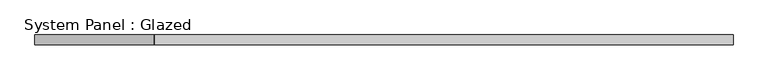
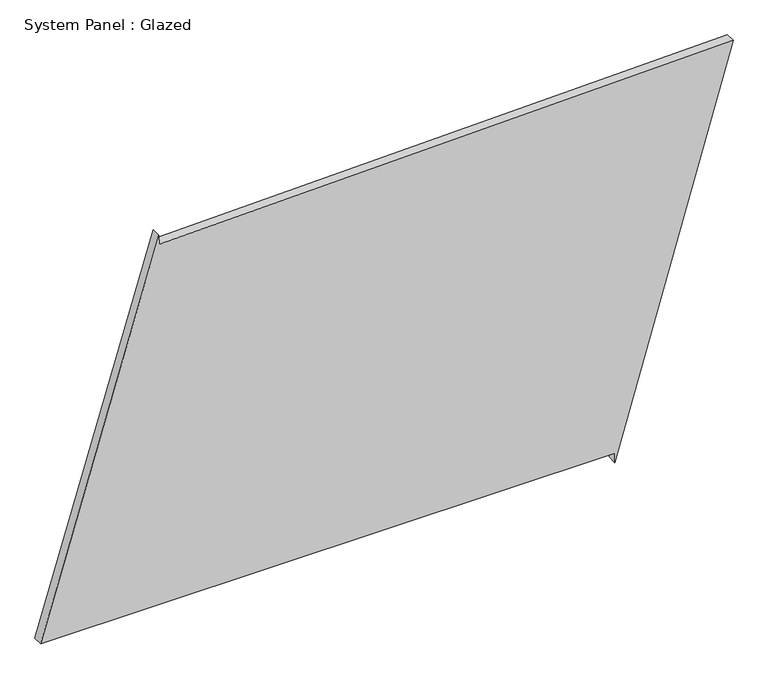
"""IFC4 building model written with IfcOpenShell, lengths in millimetres: plate geometry, System Panel : Glazed."""

from ifc_helpers import new_model, si_unit, frame, origin, place, context, project, spatial, polyline, outline, extrude, source, transform, mapped, element, save


def system_panel_glazed_7cb1dc97(model_context):
    return source(origin(), model_context, "Body", "SweptSolid", [
        extrude(outline(polyline([(25.0, 588.5443993), (0.0, 588.5443993), (1044.4918447, 893.4504752), (1007.2421474, -587.1993125), (1032.2342398, -587.8280553), (25.0, -893.4504752), (25.0, 588.5443993)])), frame((0.0, -49.5, 0.0), z_axis=(0.0, 1.0, 0.0), x_axis=(0.0, 0.0, 1.0)), (0.0, 0.0, 1.0), 25.0),
    ])


if __name__ == "__main__":
    model = new_model("IFC4")
    model_context = context("Model", 3, world=origin())
    ifc_project = project(units=[si_unit("LENGTHUNIT", "METRE", prefix="MILLI")], contexts=[model_context])
    site = spatial("IfcSite", under=ifc_project)
    building = spatial("IfcBuilding", under=site)
    placement = place(None, origin())
    system_panel_glazed_shape = system_panel_glazed_7cb1dc97(model_context)
    element("IfcPlate", 1, ObjectType="System Panel : Glazed", at=placement, inside=building, context=model_context, shape_type="MappedRepresentation", body=[
        mapped(system_panel_glazed_shape, transform((0.0, 0.0, 0.0), x_axis=(1.0, 0.0, 0.0), y_axis=(0.0, 1.0, 0.0), z_axis=(0.0, 0.0, 1.0))),
    ])
    save(model, "model.ifc")
